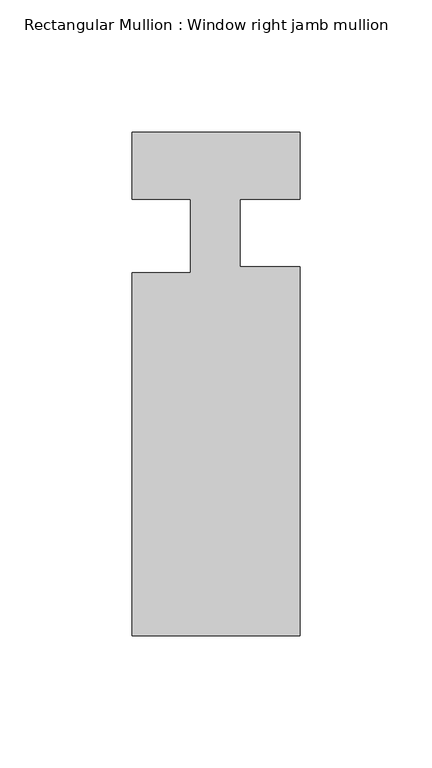
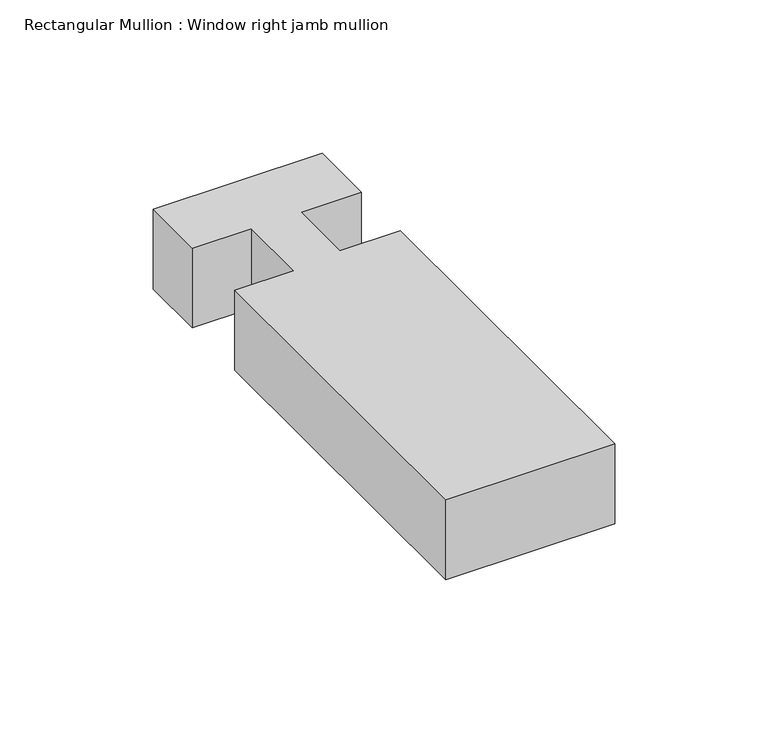
"""IFC4 building model written with IfcOpenShell, lengths in millimetres: member geometry, Rectangular Mullion : Window right jamb mullion."""

from ifc_helpers import new_model, si_unit, frame, origin, place, context, project, spatial, polyline, outline, extrude, source, transform, mapped, element, save


def rectangular_mullion_window_right_jamb_mullion_909474e0(model_context):
    return source(origin(), model_context, "Body", "SweptSolid", [
        extrude(outline(polyline([(-31.765875, -165.11587), (-31.765875, -27.701875), (-9.540875, -27.701875), (-9.540875, -0.0051552), (-31.75, -0.0051552), (-31.75, 25.4), (31.75, 25.4), (31.75, -0.0050068), (9.0932008, -0.0050068), (9.0932008, -25.4156549), (31.75, -25.4156549), (31.75, -165.11587), (-31.765875, -165.11587)])), frame((0.0, 0.0, -31.75), z_axis=(0.0, 0.0, 1.0), x_axis=(1.0, 0.0, 0.0)), (0.0, 0.0, 1.0), 31.75),
    ])


if __name__ == "__main__":
    model = new_model("IFC4")
    model_context = context("Model", 3, world=origin())
    ifc_project = project(units=[si_unit("LENGTHUNIT", "METRE", prefix="MILLI")], contexts=[model_context])
    site = spatial("IfcSite", under=ifc_project)
    building = spatial("IfcBuilding", under=site)
    placement = place(None, origin())
    rectangular_mullion_window_right_jamb_mullion_shape = rectangular_mullion_window_right_jamb_mullion_909474e0(model_context)
    element("IfcMember", 1, ObjectType="Rectangular Mullion : Window right jamb mullion", at=placement, inside=building, context=model_context, shape_type="MappedRepresentation", body=[
        mapped(rectangular_mullion_window_right_jamb_mullion_shape, transform((0.0, 0.0, 0.0), x_axis=(1.0, 0.0, 0.0), y_axis=(0.0, 1.0, 0.0), z_axis=(0.0, 0.0, 1.0))),
    ])
    save(model, "model.ifc")
